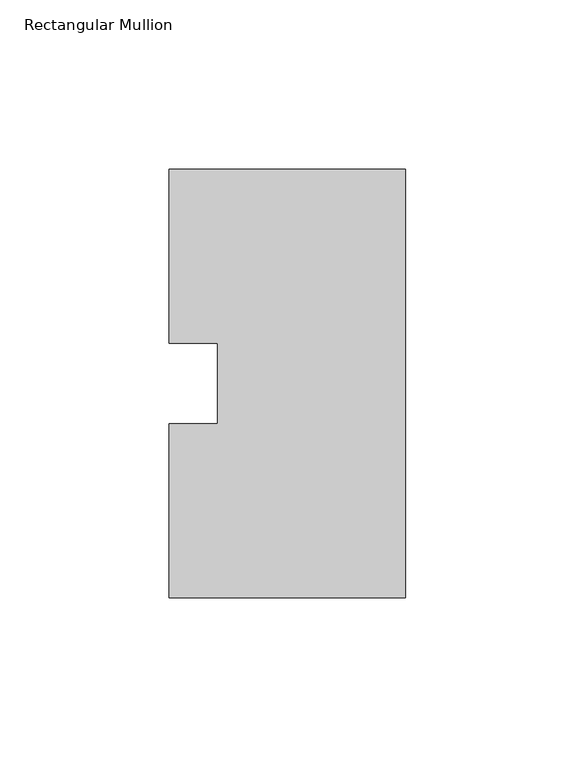
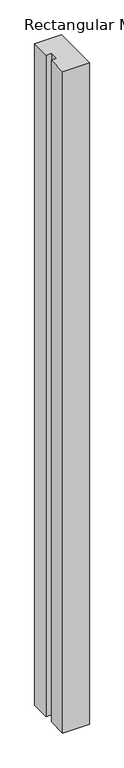
"""IFC4 building model written with IfcOpenShell, lengths in millimetres: member geometry, Rectangular Mullion."""

from ifc_helpers import new_model, si_unit, frame, origin, place, context, project, spatial, polyline, outline, extrude, source, transform, mapped, element, save


def rectangular_mullion_09eda145(model_context):
    return source(origin(), model_context, "Body", "SweptSolid", [
        extrude(outline(polyline([(0.0, 0.26035), (-69.85, 0.26035), (-69.85, 51.60645), (-55.5625, 51.60645), (-55.5625, 75.40625), (-69.85, 75.40625), (-69.85, 126.75235), (0.0, 126.75235), (0.0, 0.26035)])), frame((0.0, 0.0, -1828.8), z_axis=(0.0, 0.0, 1.0), x_axis=(1.0, 0.0, 0.0)), (0.0, 0.0, 1.0), 1828.8),
    ])


if __name__ == "__main__":
    model = new_model("IFC4")
    model_context = context("Model", 3, world=origin())
    ifc_project = project(units=[si_unit("LENGTHUNIT", "METRE", prefix="MILLI")], contexts=[model_context])
    site = spatial("IfcSite", under=ifc_project)
    building = spatial("IfcBuilding", under=site)
    placement = place(None, origin())
    rectangular_mullion_shape = rectangular_mullion_09eda145(model_context)
    element("IfcMember", 1, ObjectType="Rectangular Mullion", at=placement, inside=building, context=model_context, shape_type="MappedRepresentation", body=[
        mapped(rectangular_mullion_shape, transform((0.0, 0.0, 0.0), x_axis=(1.0, 0.0, 0.0), y_axis=(0.0, 1.0, 0.0), z_axis=(0.0, 0.0, 1.0))),
    ])
    save(model, "model.ifc")
